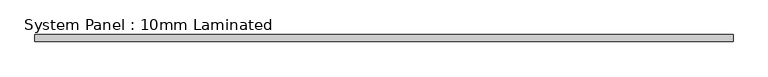
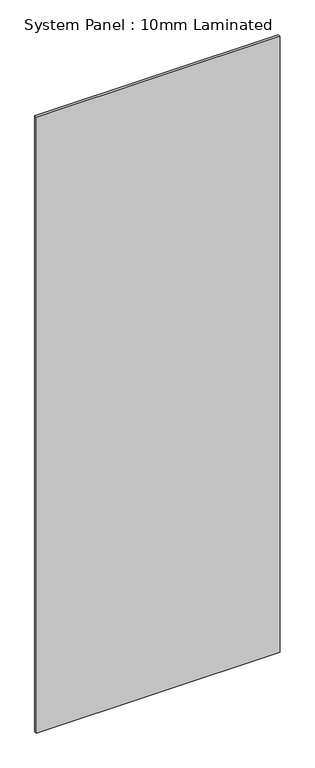
"""IFC4 building model written with IfcOpenShell, lengths in millimetres: plate geometry, System Panel : 10mm Laminated."""

from ifc_helpers import new_model, si_unit, origin, origin_with_axes, place, context, project, spatial, polyline, outline, extrude, source, transform, mapped, element, save


def system_panel_10mm_laminated_eab9256e(model_context):
    return source(origin(), model_context, "Body", "SweptSolid", [
        extrude(outline(polyline([(500.0000002, -5.0), (-500.0000002, -5.0), (-500.0000002, 5.0), (500.0000002, 5.0), (500.0000002, -5.0)])), origin_with_axes(), (0.0, 0.0, 1.0), 2668.2),
    ])


if __name__ == "__main__":
    model = new_model("IFC4")
    model_context = context("Model", 3, world=origin())
    ifc_project = project(units=[si_unit("LENGTHUNIT", "METRE", prefix="MILLI")], contexts=[model_context])
    site = spatial("IfcSite", under=ifc_project)
    building = spatial("IfcBuilding", under=site)
    placement = place(None, origin())
    system_panel_10mm_laminated_shape = system_panel_10mm_laminated_eab9256e(model_context)
    element("IfcPlate", 1, ObjectType="System Panel : 10mm Laminated", at=placement, inside=building, context=model_context, shape_type="MappedRepresentation", body=[
        mapped(system_panel_10mm_laminated_shape, transform((0.0, 0.0, 0.0), x_axis=(1.0, 0.0, 0.0), y_axis=(0.0, 1.0, 0.0), z_axis=(0.0, 0.0, 1.0))),
    ])
    save(model, "model.ifc")
